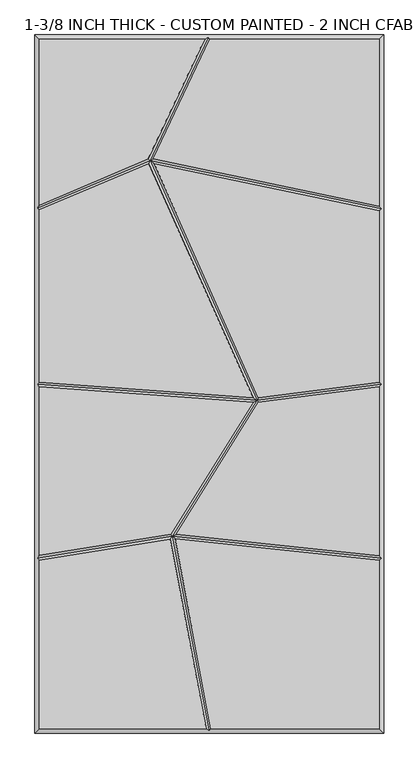
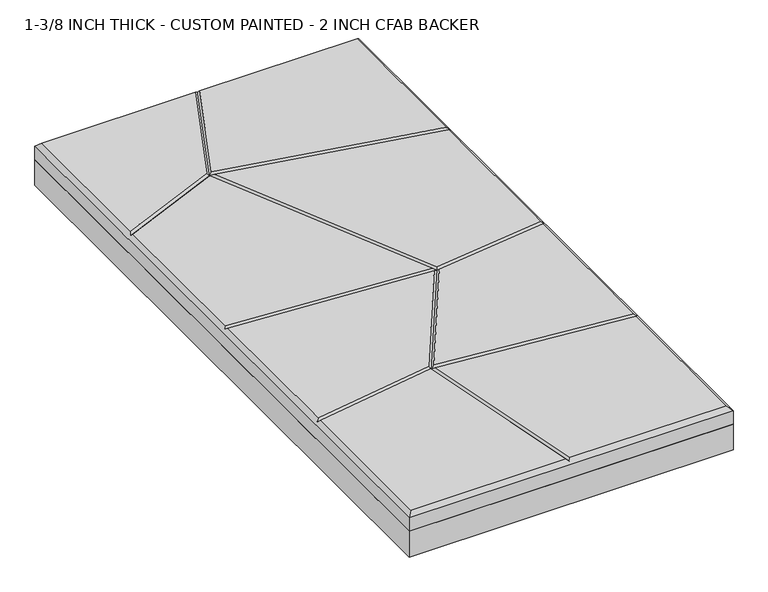
"""IFC4 building model written with IfcOpenShell, lengths in millimetres: proxy geometry, 1-3/8 INCH THICK - CUSTOM PAINTED - 2 INCH CFAB BACKER."""

from ifc_helpers import new_model, si_unit, frame, origin, place, context, project, spatial, polyline, outline, extrude, faceted_brep, source, transform, mapped, element, save


def proxy_1_3_8_inch_thick_custom_painted_2_inch_cfab_backer_b8202aa1(model_context):
    return source(origin(), model_context, "Body", "SolidModel", [
        extrude(outline(polyline([(-304.8, 609.6), (304.8, 609.6), (304.8, -609.6), (-304.8, -609.6), (-304.8, 609.6)])), frame((0.0, 0.0, -50.8), z_axis=(0.0, 0.0, 1.0), x_axis=(1.0, 0.0, 0.0)), (0.0, 0.0, 1.0), 50.8),
        faceted_brep([(-8.2028961, 601.599, 34.925), (-296.799, 601.599, 34.925), (-296.799, 312.5432369, 34.925), (-106.5730663, 393.3098245, 34.925), (-296.799, -601.599, 34.925), (-5.5875044, -601.599, 34.925), (-68.2811687, -270.685629, 34.925), (-296.799, -307.5611441, 34.925), (296.799, 601.599, 34.925), (0.6455208, 601.599, 34.925), (-97.8234472, 393.1006299, 34.925), (296.799, 310.5605776, 34.925), (2.5558226, -601.599, 34.925), (296.799, -601.599, 34.925), (296.799, -307.9855233, 34.925), (-60.1438104, -270.6541244, 34.925), (296.799, 302.386434, 34.925), (-96.7636582, 384.7048187, 34.925), (85.535097, -23.8552953, 34.925), (296.799, 3.0150912, 34.925), (-105.6591812, 385.0055382, 34.925), (-296.799, 303.850931, 34.925), (-296.799, 3.4294067, 34.925), (76.7151864, -23.7240351, 34.925), (296.799, -5.0503652, 34.925), (85.483213, -31.9273507, 34.925), (-58.2987801, -262.8024498, 34.925), (296.799, -299.9408835, 34.925), (76.1939437, -31.7082565, 34.925), (-296.799, -4.5927076, 34.925), (-296.799, -299.4566417, 34.925), (-67.5090689, -262.4565343, 34.925), (-304.8, 609.6, 0.0), (304.8, 609.6, 0.0), (304.8, -609.6, 0.0), (-304.8, -609.6, 0.0), (-304.8, -609.6, 26.924), (-304.8, 609.6, 26.924), (304.8, -609.6, 26.924), (304.8, 609.6, 26.924), (-1.8893438, 605.5995, 30.9245), (-300.7995, -304.1544464, 30.9245), (-300.7995, -0.2908252, 30.9245), (-300.7995, 306.498542, 30.9245), (-0.7579204, -605.5995, 30.9245), (300.7995, 305.6367529, 30.9245), (300.7995, -0.5088185, 30.9245), (300.7995, -304.3816017, 30.9245), (-65.0752426, -266.1160433, 30.9245), (83.0924453, -28.1987012, 30.9245), (-103.6066104, 390.2231766, 30.9245)], [[[0, 1, 2, 3]], [[4, 5, 6, 7]], [[8, 9, 10, 11]], [[12, 13, 14, 15]], [[16, 17, 18, 19]], [[20, 21, 22, 23]], [[24, 25, 26, 27]], [[28, 29, 30, 31]], [[32, 33, 34, 35]], [[32, 35, 36, 37]], [[35, 34, 38, 36]], [[34, 33, 39, 38]], [[33, 32, 37, 39]], [[37, 1, 0, 40, 9, 8, 39]], [[1, 37, 36, 4, 7, 41, 30, 29, 42, 22, 21, 43, 2]], [[4, 36, 38, 13, 12, 44, 5]], [[39, 8, 11, 45, 16, 19, 46, 24, 27, 47, 14, 13, 38]], [[44, 48, 6, 5]], [[48, 44, 12, 15]], [[48, 49, 28, 31]], [[49, 48, 26, 25]], [[49, 50, 20, 23]], [[50, 49, 18, 17]], [[50, 40, 0, 3]], [[40, 50, 10, 9]], [[45, 50, 17, 16]], [[50, 45, 11, 10]], [[50, 43, 21, 20]], [[43, 50, 3, 2]], [[46, 49, 25, 24]], [[49, 46, 19, 18]], [[49, 42, 29, 28]], [[42, 49, 23, 22]], [[47, 48, 15, 14]], [[48, 47, 27, 26]], [[48, 41, 7, 6]], [[41, 48, 31, 30]]]),
    ])


if __name__ == "__main__":
    model = new_model("IFC4")
    model_context = context("Model", 3, world=origin())
    ifc_project = project(units=[si_unit("LENGTHUNIT", "METRE", prefix="MILLI")], contexts=[model_context])
    site = spatial("IfcSite", under=ifc_project)
    building = spatial("IfcBuilding", under=site)
    placement = place(None, origin())
    proxy_1_3_8_inch_thick_custom_painted_2_inch_cfab_backer_shape = proxy_1_3_8_inch_thick_custom_painted_2_inch_cfab_backer_b8202aa1(model_context)
    element("IfcBuildingElementProxy", 1, Name="1-3/8 INCH THICK - CUSTOM PAINTED - 2 INCH CFAB BACKER", ObjectType="1-3/8 INCH THICK - CUSTOM PAINTED - 2 INCH CFAB BACKER", at=placement, inside=building, context=model_context, shape_type="MappedRepresentation", body=[
        mapped(proxy_1_3_8_inch_thick_custom_painted_2_inch_cfab_backer_shape, transform((0.0, 0.0, 0.0), x_axis=(1.0, 0.0, 0.0), y_axis=(0.0, 1.0, 0.0), z_axis=(0.0, 0.0, 1.0))),
    ])
    save(model, "model.ifc")
